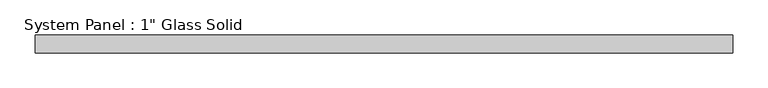
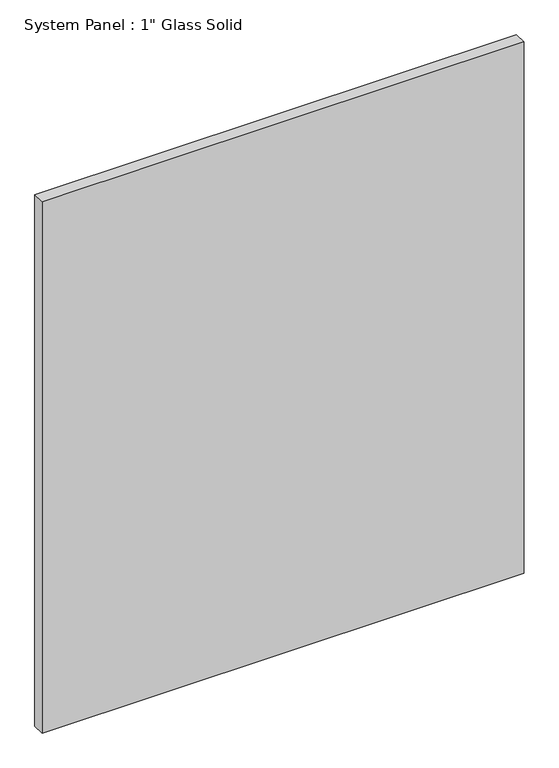
"""IFC4 building model written with IfcOpenShell, lengths in millimetres: plate geometry."""

from ifc_helpers import new_model, si_unit, origin, origin_with_axes, place, context, project, spatial, polyline, outline, extrude, source, transform, mapped, element, save


def plate_12083c33(model_context):
    return source(origin(), model_context, "Body", "SweptSolid", [
        extrude(outline(polyline([(495.3008852, -12.7), (-495.3008852, -12.7), (-495.3008852, 12.7), (495.3008852, 12.7), (495.3008852, -12.7)])), origin_with_axes(), (0.0, 0.0, 1.0), 1154.5441382),
    ])


if __name__ == "__main__":
    model = new_model("IFC4")
    model_context = context("Model", 3, world=origin())
    ifc_project = project(units=[si_unit("LENGTHUNIT", "METRE", prefix="MILLI")], contexts=[model_context])
    site = spatial("IfcSite", under=ifc_project)
    building = spatial("IfcBuilding", under=site)
    placement = place(None, origin())
    plate_shape = plate_12083c33(model_context)
    element("IfcPlate", 1, ObjectType="System Panel : 1\" Glass Solid", at=placement, inside=building, context=model_context, shape_type="MappedRepresentation", body=[
        mapped(plate_shape, transform((0.0, 0.0, 0.0), x_axis=(1.0, 0.0, 0.0), y_axis=(0.0, 1.0, 0.0), z_axis=(0.0, 0.0, 1.0))),
    ])
    save(model, "model.ifc")
